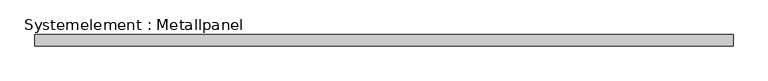
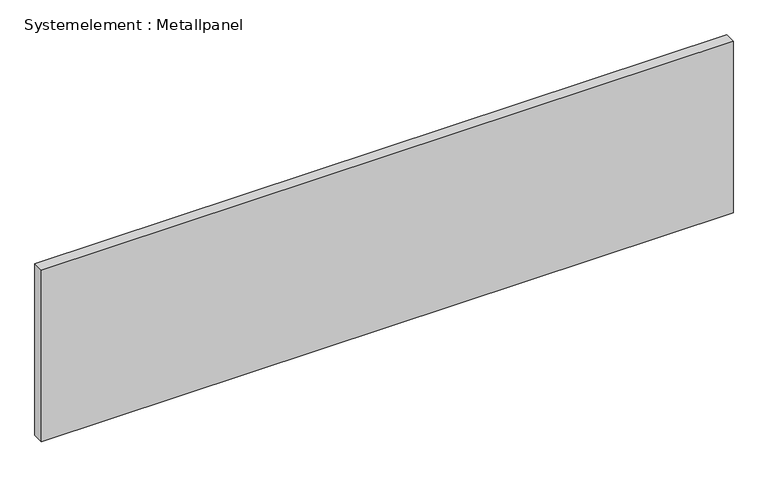
"""IFC4 building model written with IfcOpenShell, lengths in millimetres: plate geometry, Systemelement : Metallpanel."""

from ifc_helpers import new_model, si_unit, origin, origin_with_axes, place, context, project, spatial, polyline, outline, extrude, source, transform, mapped, element, save


def systemelement_metallpanel_21ecc8a5(model_context):
    return source(origin(), model_context, "Body", "SweptSolid", [
        extrude(outline(polyline([(935.7094797, -15.0), (-935.7094797, -15.0), (-935.7094797, 15.0), (935.7094797, 15.0), (935.7094797, -15.0)])), origin_with_axes(), (0.0, 0.0, 1.0), 490.0),
    ])


if __name__ == "__main__":
    model = new_model("IFC4")
    model_context = context("Model", 3, world=origin())
    ifc_project = project(units=[si_unit("LENGTHUNIT", "METRE", prefix="MILLI")], contexts=[model_context])
    site = spatial("IfcSite", under=ifc_project)
    building = spatial("IfcBuilding", under=site)
    placement = place(None, origin())
    systemelement_metallpanel_shape = systemelement_metallpanel_21ecc8a5(model_context)
    element("IfcPlate", 1, ObjectType="Systemelement : Metallpanel", at=placement, inside=building, context=model_context, shape_type="MappedRepresentation", body=[
        mapped(systemelement_metallpanel_shape, transform((0.0, 0.0, 0.0), x_axis=(1.0, 0.0, 0.0), y_axis=(0.0, 1.0, 0.0), z_axis=(0.0, 0.0, 1.0))),
    ])
    save(model, "model.ifc")
